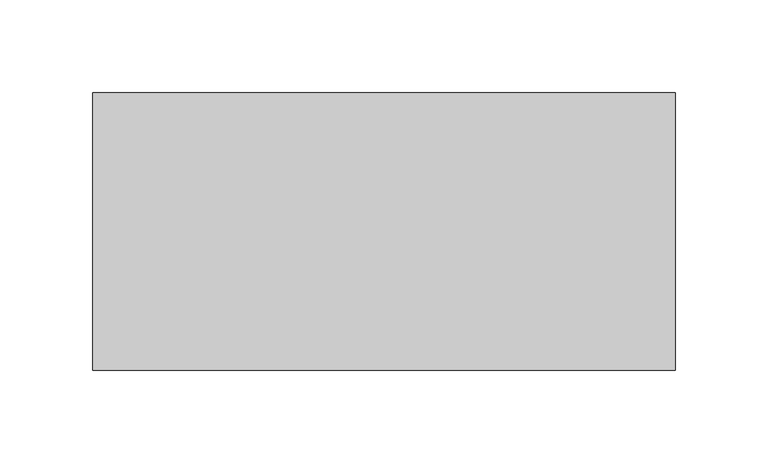
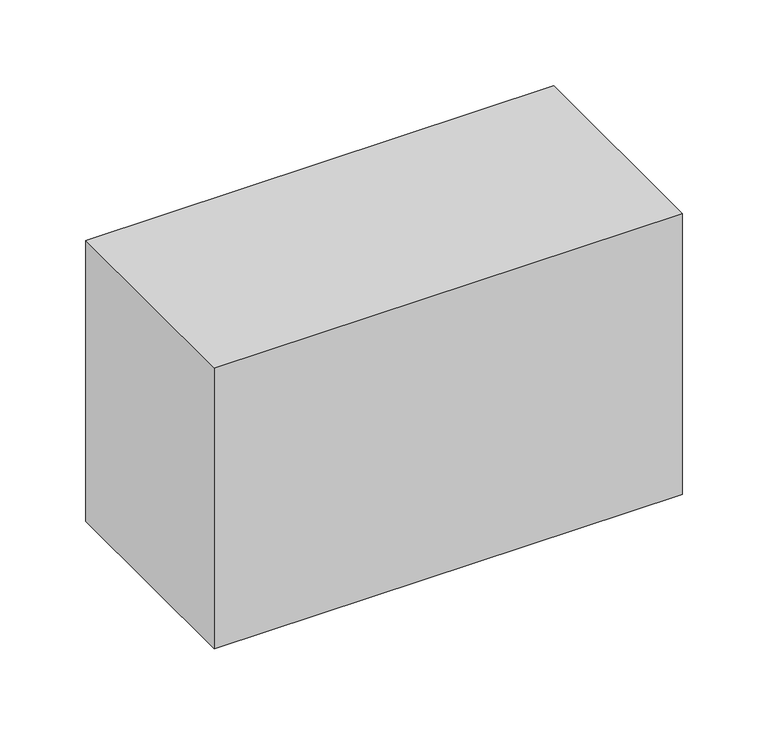
"""IFC4 building model written with IfcOpenShell, lengths in millimetres: proxy geometry."""

from ifc_helpers import new_model, si_unit, frame, origin, place, context, project, spatial, polyline, outline, extrude, source, transform, mapped, element, save


def generic_models_53e0e457(model_context):
    return source(origin(), model_context, "Body", "SweptSolid", [
        extrude(outline(polyline([(157.5, 75.0), (157.5, -75.0), (-157.5, -75.0), (-157.5, 75.0), (157.5, 75.0)])), frame((0.0, 0.0, -200.0), z_axis=(0.0, 0.0, 1.0), x_axis=(1.0, 0.0, 0.0)), (0.0, 0.0, 1.0), 200.0),
    ])


if __name__ == "__main__":
    model = new_model("IFC4")
    model_context = context("Model", 3, world=origin())
    ifc_project = project(units=[si_unit("LENGTHUNIT", "METRE", prefix="MILLI")], contexts=[model_context])
    site = spatial("IfcSite", under=ifc_project)
    building = spatial("IfcBuilding", under=site)
    placement = place(None, origin())
    generic_models_shape = generic_models_53e0e457(model_context)
    element("IfcBuildingElementProxy", 1, Name="Generic Models", at=placement, inside=building, context=model_context, shape_type="MappedRepresentation", body=[
        mapped(generic_models_shape, transform((0.0, 0.0, 0.0), x_axis=(1.0, 0.0, 0.0), y_axis=(0.0, 1.0, 0.0), z_axis=(0.0, 0.0, 1.0))),
    ])
    save(model, "model.ifc")
